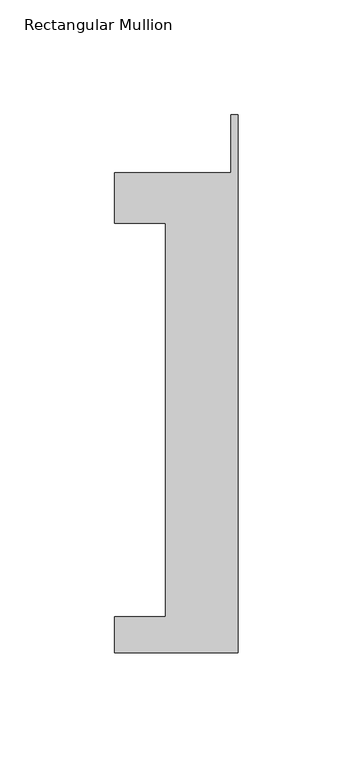
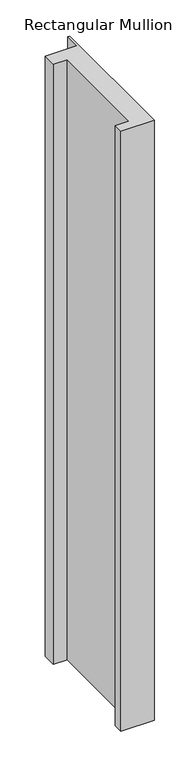
"""IFC4 building model written with IfcOpenShell, lengths in millimetres: member geometry, Rectangular Mullion."""

from ifc_helpers import new_model, si_unit, frame, origin, place, context, project, spatial, polyline, outline, extrude, source, transform, mapped, element, save


def rectangular_mullion_45d9657b(model_context):
    return source(origin(), model_context, "Body", "SweptSolid", [
        extrude(outline(polyline([(-53.975, -221.996), (-53.975, -206.121), (-31.75, -206.121), (-31.75, -34.671), (-53.975, -34.671), (-53.975, -12.7), (-3.175, -12.7), (-3.175, 12.7), (0.0, 12.7), (0.0, -221.996), (-53.975, -221.996)])), frame((0.0, 0.0, -1016.0), z_axis=(0.0, 0.0, 1.0), x_axis=(1.0, 0.0, 0.0)), (0.0, 0.0, 1.0), 1016.0),
    ])


if __name__ == "__main__":
    model = new_model("IFC4")
    model_context = context("Model", 3, world=origin())
    ifc_project = project(units=[si_unit("LENGTHUNIT", "METRE", prefix="MILLI")], contexts=[model_context])
    site = spatial("IfcSite", under=ifc_project)
    building = spatial("IfcBuilding", under=site)
    placement = place(None, origin())
    rectangular_mullion_shape = rectangular_mullion_45d9657b(model_context)
    element("IfcMember", 1, ObjectType="Rectangular Mullion", at=placement, inside=building, context=model_context, shape_type="MappedRepresentation", body=[
        mapped(rectangular_mullion_shape, transform((0.0, 0.0, 0.0), x_axis=(1.0, 0.0, 0.0), y_axis=(0.0, 1.0, 0.0), z_axis=(0.0, 0.0, 1.0))),
    ])
    save(model, "model.ifc")
